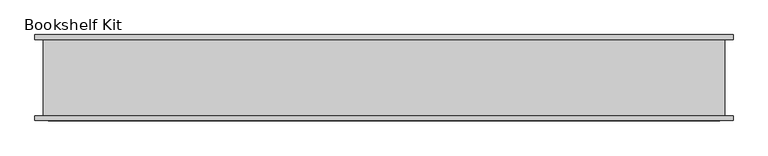
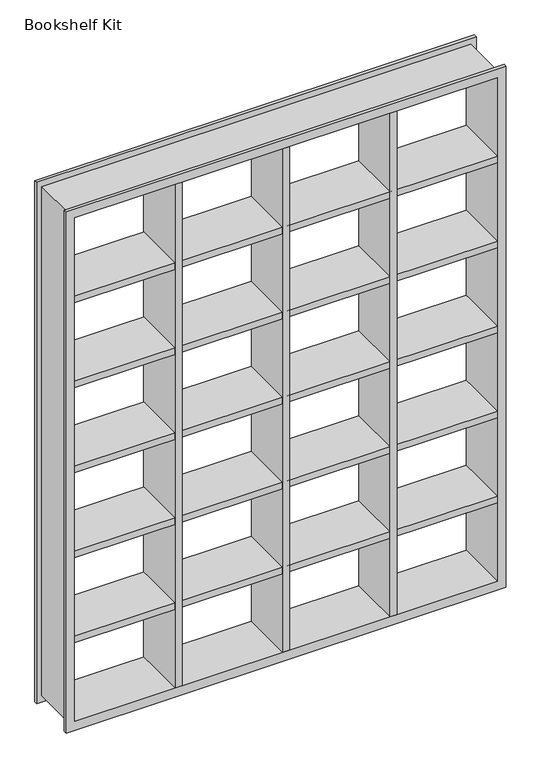
"""IFC4 building model written with IfcOpenShell, lengths in millimetres: proxy geometry, Bookshelf Kit."""

from ifc_helpers import new_model, si_unit, frame, origin, place, context, project, spatial, polyline, outline, extrude, faceted_brep, source, transform, mapped, element, save


def bookshelf_kit_3b11123d(model_context):
    return source(origin(), model_context, "Body", "SolidModel", [
        faceted_brep([(-1189.8338588, -10.97958, 3012.6), (-1189.8338588, 255.82042, 3012.6), (-1189.8338588, 255.82042, 35.4), (-1189.8338588, -10.97958, 35.4), (-1173.2338588, 272.42042, 2996.0), (-1173.2338588, -27.57958, 2996.0), (-1173.2338588, -27.57958, 52.0), (-1173.2338588, 272.42042, 52.0), (-1219.2338588, 272.42042, 0.0), (1214.1105412, 272.42042, 0.0), (1214.1105412, 255.82042, 0.0), (-1219.2338588, 255.82042, 0.0), (1184.7105412, 255.82042, 35.4), (1184.7105412, -10.97958, 35.4), (-1219.2338588, -10.97958, 0.0), (1214.1105412, -10.97958, 0.0), (1214.1105412, -27.57958, 0.0), (-1219.2338588, -27.57958, 0.0), (1168.1105412, -27.57958, 52.0), (1168.1105412, 272.42042, 52.0), (1184.7105412, 255.82042, 3012.6), (1184.7105412, -10.97958, 3012.6), (1168.1105412, -27.57958, 2996.0), (1168.1105412, 272.42042, 2996.0), (-1219.2338588, 272.42042, 3048.0), (1214.1105412, 272.42042, 3048.0), (-1219.2338588, 255.82042, 3048.0), (1214.1105412, 255.82042, 3048.0), (-1219.2338588, -10.97958, 3048.0), (1214.1105412, -10.97958, 3048.0), (-1219.2338588, -27.57958, 3048.0), (1214.1105412, -27.57958, 3048.0)], [[[0, 1, 2, 3]], [[4, 5, 6, 7]], [[8, 9, 10, 11]], [[3, 2, 12, 13]], [[14, 15, 16, 17]], [[7, 6, 18, 19]], [[13, 12, 20, 21]], [[19, 18, 22, 23]], [[9, 8, 24, 25], [4, 7, 19, 23]], [[25, 24, 26, 27]], [[11, 10, 27, 26], [2, 1, 20, 12]], [[1, 0, 21, 20]], [[15, 14, 28, 29], [0, 3, 13, 21]], [[29, 28, 30, 31]], [[17, 16, 31, 30], [6, 5, 22, 18]], [[5, 4, 23, 22]], [[8, 11, 26, 24]], [[14, 17, 30, 28]], [[10, 9, 25, 27]], [[16, 15, 29, 31]]]),
        extrude(outline(polyline([(-1173.2338588, 271.42042), (1168.1105412, 271.42042), (1168.1105412, -26.57958), (-1173.2338588, -26.57958), (-1173.2338588, 271.42042)])), frame((0.0, 0.0, 2498.9833333), z_axis=(0.0, 0.0, 1.0), x_axis=(1.0, 0.0, 0.0)), (0.0, 0.0, 1.0), 38.1),
        extrude(outline(polyline([(-1173.2338588, 271.42042), (1168.1105412, 271.42042), (1168.1105412, -26.57958), (-1173.2338588, -26.57958), (-1173.2338588, 271.42042)])), frame((0.0, 0.0, 2001.9666667), z_axis=(0.0, 0.0, 1.0), x_axis=(1.0, 0.0, 0.0)), (0.0, 0.0, 1.0), 38.1),
        extrude(outline(polyline([(-1173.2338588, 271.42042), (1168.1105412, 271.42042), (1168.1105412, -26.57958), (-1173.2338588, -26.57958), (-1173.2338588, 271.42042)])), frame((0.0, 0.0, 1504.95), z_axis=(0.0, 0.0, 1.0), x_axis=(1.0, 0.0, 0.0)), (0.0, 0.0, 1.0), 38.1),
        extrude(outline(polyline([(-1173.2338588, 271.42042), (1168.1105412, 271.42042), (1168.1105412, -26.57958), (-1173.2338588, -26.57958), (-1173.2338588, 271.42042)])), frame((0.0, 0.0, 1007.9333333), z_axis=(0.0, 0.0, 1.0), x_axis=(1.0, 0.0, 0.0)), (0.0, 0.0, 1.0), 38.1),
        extrude(outline(polyline([(-1173.2338588, 271.42042), (1168.1105412, 271.42042), (1168.1105412, -26.57958), (-1173.2338588, -26.57958), (-1173.2338588, 271.42042)])), frame((0.0, 0.0, 510.9166667), z_axis=(0.0, 0.0, 1.0), x_axis=(1.0, 0.0, 0.0)), (0.0, 0.0, 1.0), 38.1),
        extrude(outline(polyline([(-616.4791088, 271.92042), (-578.3791088, 271.92042), (-578.3791088, -27.07958), (-616.4791088, -27.07958), (-616.4791088, 271.92042)])), frame((0.0, 0.0, 52.0), z_axis=(0.0, 0.0, 1.0), x_axis=(1.0, 0.0, 0.0)), (0.0, 0.0, 1.0), 2944.0),
        extrude(outline(polyline([(16.4883412, 271.92042), (16.4883412, -27.07958), (-21.6116588, -27.07958), (-21.6116588, 271.92042), (16.4883412, 271.92042)])), frame((0.0, 0.0, 52.0), z_axis=(0.0, 0.0, 1.0), x_axis=(1.0, 0.0, 0.0)), (0.0, 0.0, 1.0), 2944.0),
        extrude(outline(polyline([(611.3557912, -27.07958), (573.2557912, -27.07958), (573.2557912, 271.92042), (611.3557912, 271.92042), (611.3557912, -27.07958)])), frame((0.0, 0.0, 52.0), z_axis=(0.0, 0.0, 1.0), x_axis=(1.0, 0.0, 0.0)), (0.0, 0.0, 1.0), 2944.0),
    ])


if __name__ == "__main__":
    model = new_model("IFC4")
    model_context = context("Model", 3, world=origin())
    ifc_project = project(units=[si_unit("LENGTHUNIT", "METRE", prefix="MILLI")], contexts=[model_context])
    site = spatial("IfcSite", under=ifc_project)
    building = spatial("IfcBuilding", under=site)
    placement = place(None, origin())
    bookshelf_kit_shape = bookshelf_kit_3b11123d(model_context)
    element("IfcBuildingElementProxy", 1, Name="Bookshelf Kit", ObjectType="Bookshelf Kit", at=placement, inside=building, context=model_context, shape_type="MappedRepresentation", body=[
        mapped(bookshelf_kit_shape, transform((0.0, 0.0, 0.0), x_axis=(1.0, 0.0, 0.0), y_axis=(0.0, 1.0, 0.0), z_axis=(0.0, 0.0, 1.0))),
    ])
    save(model, "model.ifc")
